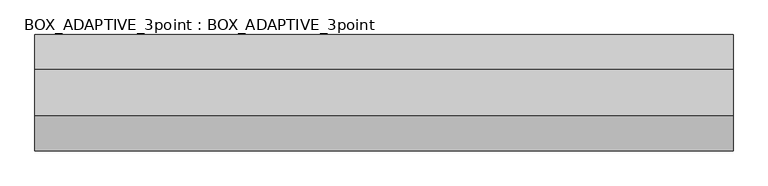
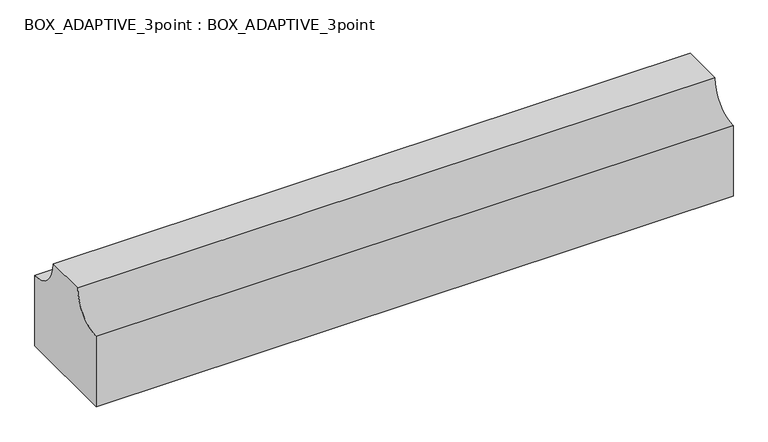
"""IFC4 building model written with IfcOpenShell, lengths in millimetres: proxy geometry, BOX_ADAPTIVE_3point : BOX_ADAPTIVE_3point."""

from ifc_helpers import new_model, si_unit, point, frame, frame_2d, origin, place, context, project, spatial, polyline, circle_curve, trimmed, segment, composite_curve, outline, extrude, source, transform, mapped, element, save


def box_adaptive_3point_box_adaptive_3point_6e677db3(model_context):
    return source(origin(), model_context, "Body", "SweptSolid", [
        extrude(outline(composite_curve([segment(polyline([(500.0, 0.0), (-500.0, 0.0), (-500.0, 700.0)]), True, "CONTINUOUS"), segment(trimmed(circle_curve(frame_2d((-500.0, 1000.0)), 300.0), [point((-500.0, 700.0))], [point((-200.0, 1000.0))], True, "CARTESIAN"), True, "CONTINUOUS"), segment(polyline([(-200.0, 1000.0), (200.0, 1000.0)]), True, "CONTINUOUS"), segment(trimmed(circle_curve(frame_2d((500.0, 1000.0)), 300.0), [point((200.0, 1000.0))], [point((500.0, 700.0))], True, "CARTESIAN"), True, "CONTINUOUS"), segment(polyline([(500.0, 700.0), (500.0, 0.0)]), True, "CONTINUOUS")], self_intersect=False)), frame((0.0, 0.0, 0.0), z_axis=(1.0, 0.0, 0.0), x_axis=(0.0, 1.0, 0.0)), (0.0, 0.0, 1.0), 6000.0),
    ])


if __name__ == "__main__":
    model = new_model("IFC4")
    model_context = context("Model", 3, world=origin())
    ifc_project = project(units=[si_unit("LENGTHUNIT", "METRE", prefix="MILLI")], contexts=[model_context])
    site = spatial("IfcSite", under=ifc_project)
    building = spatial("IfcBuilding", under=site)
    placement = place(None, origin())
    box_adaptive_3point_box_adaptive_3point_shape = box_adaptive_3point_box_adaptive_3point_6e677db3(model_context)
    element("IfcBuildingElementProxy", 1, Name="BOX_ADAPTIVE_3point : BOX_ADAPTIVE_3point", ObjectType="BOX_ADAPTIVE_3point : BOX_ADAPTIVE_3point", at=placement, inside=building, context=model_context, shape_type="MappedRepresentation", body=[
        mapped(box_adaptive_3point_box_adaptive_3point_shape, transform((0.0, 0.0, 0.0), x_axis=(1.0, 0.0, 0.0), y_axis=(0.0, 1.0, 0.0), z_axis=(0.0, 0.0, 1.0))),
    ])
    save(model, "model.ifc")
